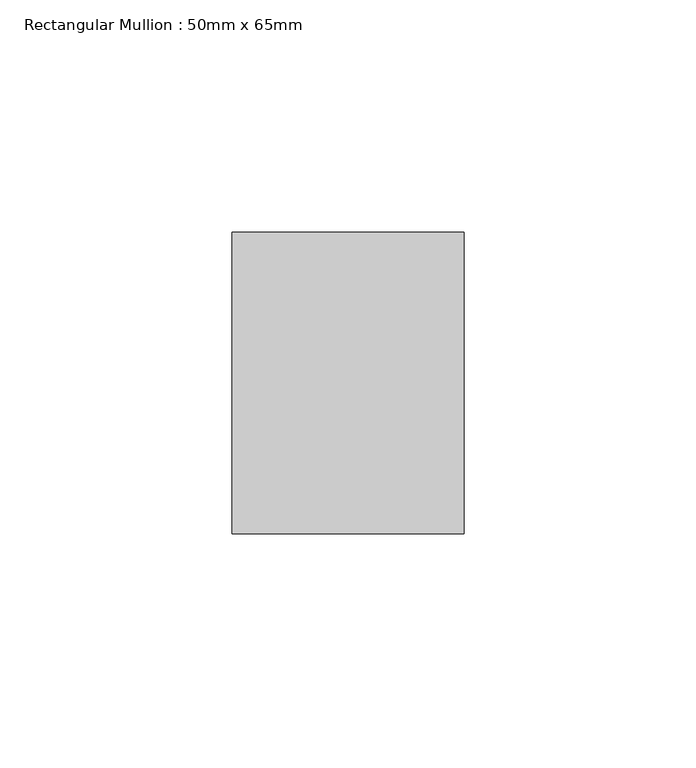
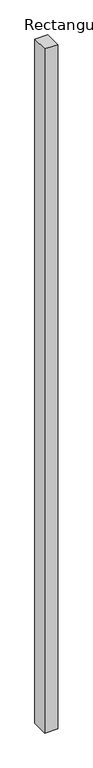
"""IFC4 building model written with IfcOpenShell, lengths in millimetres: member geometry, Rectangular Mullion : 50mm x 65mm."""

import ifcopenshell
import ifcopenshell.guid

model = None  # the IFC model being written
_history = None  # IfcOwnerHistory: only IFC2X3 demands one
_inside = {}  # id of a spatial element -> (the spatial element, [elements in it])
_under = {}  # id of a project, library or spatial element -> (it, [spatial elements below it])
_declared = {}  # id of a project -> (the project, [libraries it declares])
_typed = {}  # id of a type object -> (the type object, [elements of that type])
_made_of = {}  # id of a material, layer set ... -> (it, [elements and type objects made of it])


def new_model(schema):
    """Start an empty IFC model of exactly this schema.

    Asked for "IFC4X3", IfcOpenShell would pick the latest addendum, in which some entities
    have other attributes; the version numbers below select the first issue.
    IFC2X3 requires an IfcOwnerHistory on every rooted entity: one is made here for all.
    """
    global model, _history
    if schema == "IFC4X3":
        model = ifcopenshell.file(schema_version=(4, 3, 0, 0))
    else:
        model = ifcopenshell.file(schema=schema)
    _inside.clear()
    _under.clear()
    _declared.clear()
    _typed.clear()
    _made_of.clear()
    _history = None
    if model.schema == "IFC2X3":
        org = make("IfcOrganization", Name="unknown")
        user = make(
            "IfcPersonAndOrganization",
            ThePerson=make("IfcPerson", FamilyName="unknown"),
            TheOrganization=org,
        )
        app = make(
            "IfcApplication",
            ApplicationDeveloper=org,
            Version="unknown",
            ApplicationFullName="unknown",
            ApplicationIdentifier="unknown",
        )
        _history = make(
            "IfcOwnerHistory",
            OwningUser=user,
            OwningApplication=app,
            ChangeAction="ADDED",
            CreationDate=0,
        )
    return model


def make(cls, **values):
    """One entity of the class cls with the attributes given. An attribute that is None is left unset."""
    return model.create_entity(
        cls, **{name: value for name, value in values.items() if value is not None}
    )


def rooted(cls, **values):
    """An entity with a GlobalId (a new one), such as an element, a storey or a relation."""
    return make(cls, GlobalId=ifcopenshell.guid.new(), OwnerHistory=_history, **values)


def si_unit(unit_type, name, prefix=None):
    """IfcSIUnit, for example si_unit("LENGTHUNIT", "METRE", prefix="MILLI")."""
    return make("IfcSIUnit", UnitType=unit_type, Prefix=prefix, Name=name)


def assignment(units):
    """IfcUnitAssignment: the units of a project."""
    return None if units is None else make("IfcUnitAssignment", Units=units)


def point(xyz):
    """IfcCartesianPoint."""
    return None if xyz is None else make("IfcCartesianPoint", Coordinates=xyz)


def direction(xyz):
    """IfcDirection."""
    return None if xyz is None else make("IfcDirection", DirectionRatios=xyz)


def frame(location, z_axis=None, x_axis=None):
    """IfcAxis2Placement3D, a coordinate frame: its origin and axes. An axis left out is left unset."""
    return make(
        "IfcAxis2Placement3D",
        Location=point(location),
        Axis=direction(z_axis),
        RefDirection=direction(x_axis),
    )


def origin():
    """The frame at (0, 0, 0) with its axes left unset."""
    return frame((0.0, 0.0, 0.0))


def place(relative_to, where):
    """IfcLocalPlacement: puts the frame where relative to a parent placement (None: the world)."""
    return make(
        "IfcLocalPlacement", PlacementRelTo=relative_to, RelativePlacement=where
    )


def context(
    kind, dimensions, precision=None, world=None, true_north=None, identifier=None
):
    """IfcGeometricRepresentationContext, for example the 3D "Model" context."""
    return make(
        "IfcGeometricRepresentationContext",
        ContextIdentifier=identifier,
        ContextType=kind,
        CoordinateSpaceDimension=dimensions,
        Precision=precision,
        WorldCoordinateSystem=world,
        TrueNorth=true_north,
    )


def project(units=None, contexts=None):
    """IfcProject with its units and contexts."""
    return rooted(
        "IfcProject",
        Name="project",
        RepresentationContexts=contexts,
        UnitsInContext=assignment(units),
    )


def spatial(cls, under=None, at=None, **own):
    """A site, building, storey or space (cls), placed at a placement, below another one or the project."""
    s = rooted(cls, ObjectPlacement=at, **own)
    if under is not None:
        _under.setdefault(under.id(), (under, []))[1].append(s)
    return s


def polyline(points):
    """IfcPolyline through the points."""
    return make("IfcPolyline", Points=[point(p) for p in points])


def outline(outer, holes=None, kind="AREA"):
    """IfcArbitraryClosedProfileDef: a profile drawn as a closed curve; with holes, ...WithVoids."""
    if holes is None:
        return make("IfcArbitraryClosedProfileDef", ProfileType=kind, OuterCurve=outer)
    return make(
        "IfcArbitraryProfileDefWithVoids",
        ProfileType=kind,
        OuterCurve=outer,
        InnerCurves=holes,
    )


def extrude(swept, where, along, depth):
    """IfcExtrudedAreaSolid: the profile swept, set in the frame where, extruded along a direction by depth."""
    return make(
        "IfcExtrudedAreaSolid",
        SweptArea=swept,
        Position=where,
        ExtrudedDirection=direction(along),
        Depth=depth,
    )


def shape(context_of_items, identifier, shape_type, items):
    """IfcShapeRepresentation: the items that make up one representation, for example the "Body"."""
    return make(
        "IfcShapeRepresentation",
        ContextOfItems=context_of_items,
        RepresentationIdentifier=identifier,
        RepresentationType=shape_type,
        Items=items,
    )


def source(mapping_origin, context_of_items, identifier, shape_type, items):
    """IfcRepresentationMap: a shape defined once, which mapped items show again and again."""
    return make(
        "IfcRepresentationMap",
        MappingOrigin=mapping_origin,
        MappedRepresentation=shape(context_of_items, identifier, shape_type, items),
    )


def transform(
    local_origin,
    x_axis=None,
    y_axis=None,
    z_axis=None,
    scale=None,
    scale2=None,
    scale3=None,
    uniform=True,
):
    """IfcCartesianTransformationOperator3D, or its non-uniform kind. x_axis, y_axis, z_axis: its Axis1, 2, 3."""
    if uniform:
        return make(
            "IfcCartesianTransformationOperator3D",
            Axis1=direction(x_axis),
            Axis2=direction(y_axis),
            LocalOrigin=point(local_origin),
            Scale=scale,
            Axis3=direction(z_axis),
        )
    return make(
        "IfcCartesianTransformationOperator3DnonUniform",
        Axis1=direction(x_axis),
        Axis2=direction(y_axis),
        LocalOrigin=point(local_origin),
        Scale=scale,
        Axis3=direction(z_axis),
        Scale2=scale2,
        Scale3=scale3,
    )


def mapped(mapping_source, mapping_target):
    """IfcMappedItem: shows the shape of a source again, moved by a transform."""
    return make(
        "IfcMappedItem", MappingSource=mapping_source, MappingTarget=mapping_target
    )


def made_of(thing, what):
    """Note that an element or type object is made of a material, layer set ...; save() writes the relation."""
    if what is not None:
        _made_of.setdefault(what.id(), (what, []))[1].append(thing)
    return thing


def element(
    cls,
    number,
    at=None,
    inside=None,
    cuts=None,
    type_object=None,
    material=None,
    context=None,
    identifier="Body",
    shape_type=None,
    held_by="IfcProductDefinitionShape",
    body=None,
    shapes=None,
    **own,
):
    """One element of the class cls, such as IfcWall. Its Tag is "e" and its number.

    at: its placement. inside: the storey or other place that contains it. cuts: it is an
    opening in that element (IfcRelVoidsElement). A single representation is given by context,
    identifier, shape_type and body (its items); several are given by shapes. held_by: the class
    of the entity that holds the representations. save() writes the other relations.
    """
    e = rooted(cls, Tag="e%d" % number, ObjectPlacement=at, **own)
    if body is not None:
        shapes = [shape(context, identifier, shape_type, body)]
    if shapes is not None:
        e.Representation = make(held_by, Representations=shapes)
    if inside is not None:
        _inside.setdefault(inside.id(), (inside, []))[1].append(e)
    if cuts is not None:
        rooted(
            "IfcRelVoidsElement", RelatingBuildingElement=cuts, RelatedOpeningElement=e
        )
    if type_object is not None:
        _typed.setdefault(type_object.id(), (type_object, []))[1].append(e)
    return made_of(e, material)


def aggregate(whole, parts):
    """IfcRelAggregates: a whole, such as a stair, and the parts it consists of."""
    return rooted("IfcRelAggregates", RelatingObject=whole, RelatedObjects=parts)


def save(model, path):
    """Write the relations noted so far, then the file.

    IfcRelAggregates (storeys below a building ...), IfcRelContainedInSpatialStructure (elements
    in a storey), IfcRelDefinesByType, IfcRelAssociatesMaterial and IfcRelDeclares: one each for
    every whole, place, type object, material and project.
    """
    for whole, parts in _under.values():
        aggregate(whole, parts)
    for where, things in _inside.values():
        rooted(
            "IfcRelContainedInSpatialStructure",
            RelatedElements=things,
            RelatingStructure=where,
        )
    for kind, things in _typed.values():
        rooted("IfcRelDefinesByType", RelatedObjects=things, RelatingType=kind)
    for what, things in _made_of.values():
        rooted("IfcRelAssociatesMaterial", RelatedObjects=things, RelatingMaterial=what)
    for by, libraries in _declared.values():
        rooted("IfcRelDeclares", RelatingContext=by, RelatedDefinitions=libraries)
    model.write(path)


def rectangular_mullion_50mm_x_65mm_e109917d(model_context):
    return source(origin(), model_context, "Body", "SweptSolid", [
        extrude(outline(polyline([(25.0, 32.5), (25.0, -32.5), (-25.0, -32.5), (-25.0, 32.5), (25.0, 32.5)])), frame((0.0, 0.0, -2773.8912825), z_axis=(0.0, 0.0, 1.0), x_axis=(1.0, 0.0, 0.0)), (0.0, 0.0, 1.0), 2773.8912825),
    ])


if __name__ == "__main__":
    model = new_model("IFC4")
    model_context = context("Model", 3, world=origin())
    ifc_project = project(units=[si_unit("LENGTHUNIT", "METRE", prefix="MILLI")], contexts=[model_context])
    site = spatial("IfcSite", under=ifc_project)
    building = spatial("IfcBuilding", under=site)
    placement = place(None, origin())
    rectangular_mullion_50mm_x_65mm_shape = rectangular_mullion_50mm_x_65mm_e109917d(model_context)
    element("IfcMember", 1, ObjectType="Rectangular Mullion : 50mm x 65mm", at=placement, inside=building, context=model_context, shape_type="MappedRepresentation", body=[
        mapped(rectangular_mullion_50mm_x_65mm_shape, transform((0.0, 0.0, 0.0), x_axis=(1.0, 0.0, 0.0), y_axis=(0.0, 1.0, 0.0), z_axis=(0.0, 0.0, 1.0))),
    ])
    save(model, "model.ifc")
